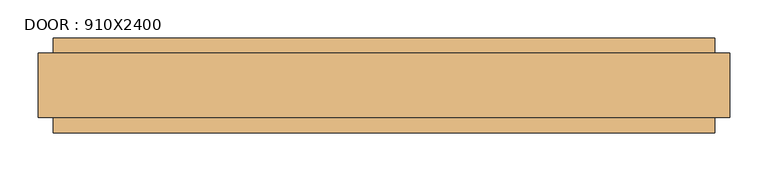
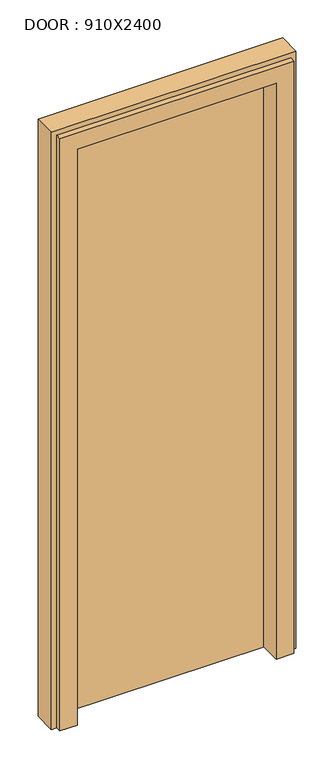
"""IFC4 building model written with IfcOpenShell, lengths in millimetres: door geometry, DOOR : 910X2400."""

from ifc_helpers import new_model, si_unit, frame, origin, place, context, project, spatial, polyline, outline, extrude, faceted_brep, source, transform, mapped, element, save


def door_910x2400_df9be529(model_context):
    return source(origin(), model_context, "Body", "SolidModel", [
        faceted_brep([(298.0, 75.0, 50.0), (350.0, 75.0, 50.0), (350.0, 55.0, 50.0), (370.0, 55.0, 50.0), (370.0, -30.0, 50.0), (350.0, -30.0, 50.0), (350.0, -50.0, 50.0), (285.0, -50.0, 50.0), (285.0, 30.0, 50.0), (298.0, 30.0, 50.0), (298.0, 30.0, 2328.0), (298.0, 75.0, 2328.0), (285.0, 30.0, 2315.0), (-455.0, 30.0, 2315.0), (-455.0, 30.0, 50.0), (-468.0, 30.0, 50.0), (-468.0, 30.0, 2328.0), (285.0, -50.0, 2315.0), (350.0, -50.0, 2380.0), (-520.0, -50.0, 2380.0), (-520.0, -50.0, 50.0), (-455.0, -50.0, 50.0), (-455.0, -50.0, 2315.0), (350.0, -30.0, 2380.0), (370.0, -30.0, 2400.0), (-540.0, -30.0, 2400.0), (-540.0, -30.0, 50.0), (-520.0, -30.0, 50.0), (-520.0, -30.0, 2380.0), (370.0, 55.0, 2400.0), (350.0, 55.0, 2380.0), (-520.0, 55.0, 2380.0), (-520.0, 55.0, 50.0), (-540.0, 55.0, 50.0), (-540.0, 55.0, 2400.0), (350.0, 75.0, 2380.0), (-468.0, 75.0, 2328.0), (-468.0, 75.0, 50.0), (-520.0, 75.0, 50.0), (-520.0, 75.0, 2380.0)], [[[0, 1, 2, 3, 4, 5, 6, 7, 8, 9]], [[9, 10, 11, 0]], [[8, 12, 13, 14, 15, 16, 10, 9]], [[7, 17, 12, 8]], [[6, 18, 19, 20, 21, 22, 17, 7]], [[5, 23, 18, 6]], [[4, 24, 25, 26, 27, 28, 23, 5]], [[3, 29, 24, 4]], [[2, 30, 31, 32, 33, 34, 29, 3]], [[1, 35, 30, 2]], [[0, 11, 36, 37, 38, 39, 35, 1]], [[16, 15, 37, 36]], [[37, 15, 14, 21, 20, 27, 26, 33, 32, 38]], [[22, 21, 14, 13]], [[28, 27, 20, 19]], [[34, 33, 26, 25]], [[39, 38, 32, 31]], [[10, 16, 36, 11]], [[17, 22, 13, 12]], [[23, 28, 19, 18]], [[29, 34, 25, 24]], [[35, 39, 31, 30]]]),
        extrude(outline(polyline([(298.0, 75.0), (298.0, 30.0), (-468.0, 30.0), (-468.0, 75.0), (298.0, 75.0)])), frame((0.0, 0.0, 50.0), z_axis=(0.0, 0.0, 1.0), x_axis=(1.0, 0.0, 0.0)), (0.0, 0.0, 1.0), 2278.0),
    ])


if __name__ == "__main__":
    model = new_model("IFC4")
    model_context = context("Model", 3, world=origin())
    ifc_project = project(units=[si_unit("LENGTHUNIT", "METRE", prefix="MILLI")], contexts=[model_context])
    site = spatial("IfcSite", under=ifc_project)
    building = spatial("IfcBuilding", under=site)
    placement = place(None, origin())
    door_910x2400_shape = door_910x2400_df9be529(model_context)
    element("IfcDoor", 1, ObjectType="DOOR : 910X2400", at=placement, inside=building, context=model_context, shape_type="MappedRepresentation", body=[
        mapped(door_910x2400_shape, transform((0.0, 0.0, 0.0), x_axis=(1.0, 0.0, 0.0), y_axis=(0.0, 1.0, 0.0), z_axis=(0.0, 0.0, 1.0))),
    ])
    save(model, "model.ifc")
